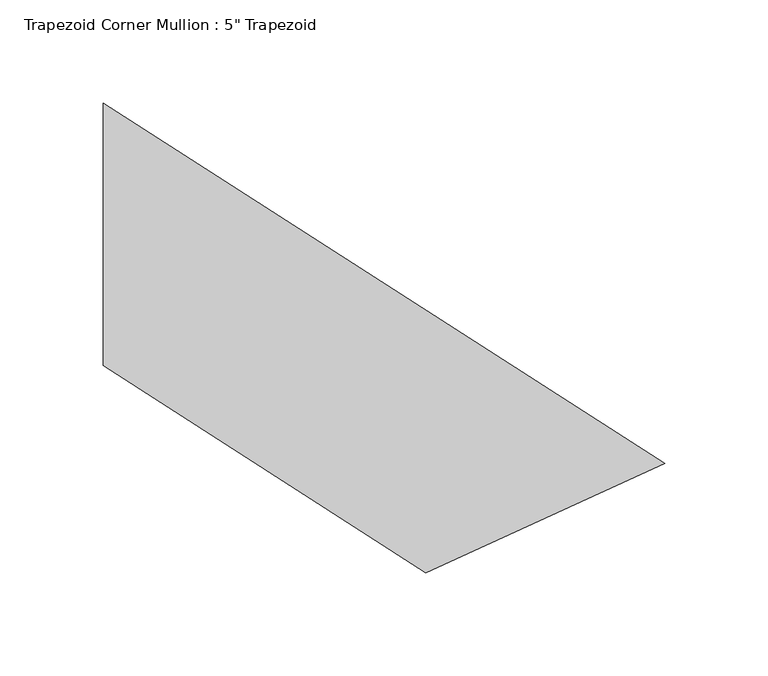
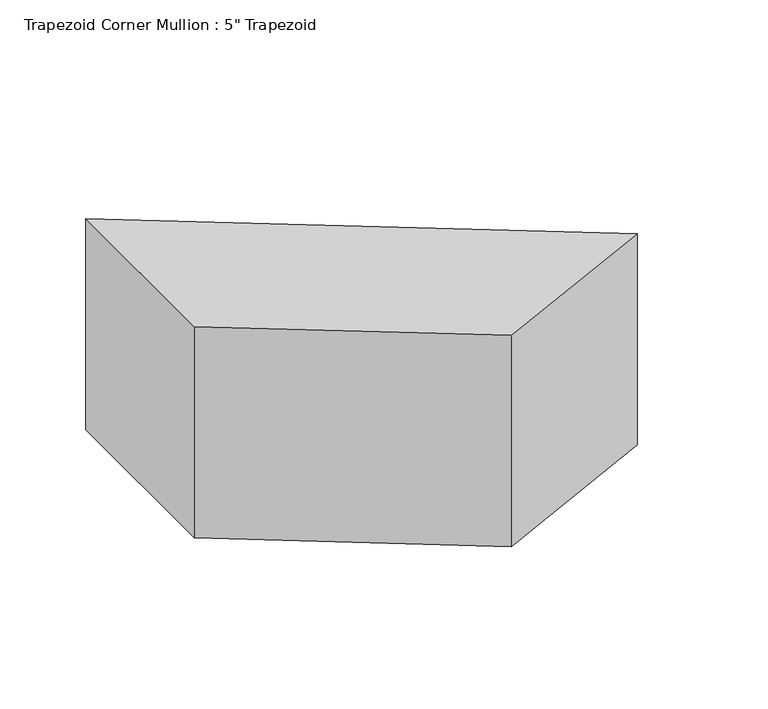
"""IFC4 building model written with IfcOpenShell, lengths in millimetres: member geometry."""

from ifc_helpers import new_model, si_unit, frame, origin, place, context, project, spatial, polyline, outline, extrude, source, transform, mapped, element, save


def member_831d96c1(model_context):
    return source(origin(), model_context, "Body", "SweptSolid", [
        extrude(outline(polyline([(120.5478383, -110.8114616), (5.0670651, -163.6621098), (-150.9261784, -63.5), (-150.9261784, 63.5), (120.5478383, -110.8114616)])), frame((0.0, 0.0, -150.5948776), z_axis=(0.0, 0.0, 1.0), x_axis=(1.0, 0.0, 0.0)), (0.0, 0.0, 1.0), 150.5948776),
    ])


if __name__ == "__main__":
    model = new_model("IFC4")
    model_context = context("Model", 3, world=origin())
    ifc_project = project(units=[si_unit("LENGTHUNIT", "METRE", prefix="MILLI")], contexts=[model_context])
    site = spatial("IfcSite", under=ifc_project)
    building = spatial("IfcBuilding", under=site)
    placement = place(None, origin())
    member_shape = member_831d96c1(model_context)
    element("IfcMember", 1, ObjectType="Trapezoid Corner Mullion : 5\" Trapezoid", at=placement, inside=building, context=model_context, shape_type="MappedRepresentation", body=[
        mapped(member_shape, transform((0.0, 0.0, 0.0), x_axis=(1.0, 0.0, 0.0), y_axis=(0.0, 1.0, 0.0), z_axis=(0.0, 0.0, 1.0))),
    ])
    save(model, "model.ifc")
